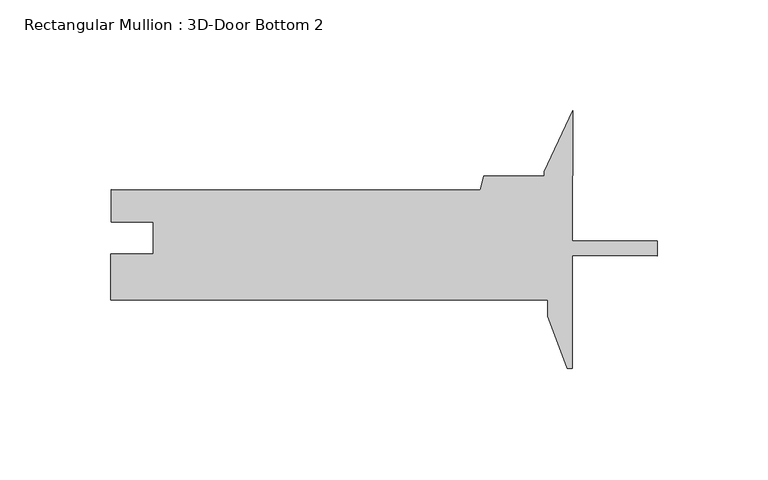
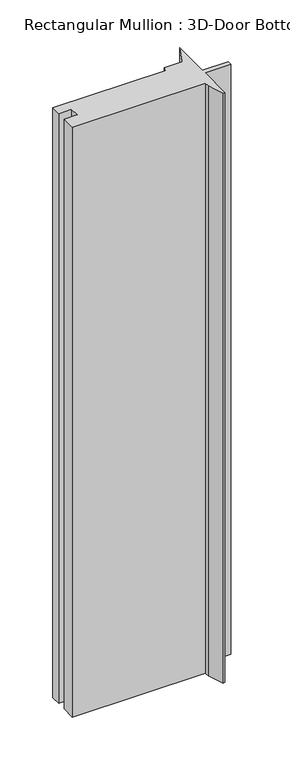
"""IFC4 building model written with IfcOpenShell, lengths in millimetres: member geometry, Rectangular Mullion : 3D-Door Bottom 2."""

from ifc_helpers import new_model, si_unit, frame, origin, place, context, project, spatial, polyline, outline, extrude, source, transform, mapped, element, save


def rectangular_mullion_3d_door_bottom_2_349176d2(model_context):
    return source(origin(), model_context, "Body", "SweptSolid", [
        extrude(outline(polyline([(-40.531847, -27.1958204), (-49.2425364, -3.7725391), (-49.2361672, 3.4823332), (-246.0873613, 3.6551545), (-246.0690345, 24.5301476), (-227.0444431, 24.5134454), (-227.0318741, 38.8301387), (-246.0564668, 38.846841), (-246.0436558, 53.4391354), (-79.7207086, 53.2931156), (-78.013657, 59.6416194), (-50.7743849, 59.6177052), (-50.7725452, 61.7132044), (-38.0485354, 89.0558903), (-38.0999853, 30.4521293), (0.0, 30.4186802), (-0.0059093, 23.6876828), (-38.107121, 23.7211329), (-38.1518244, -27.1979099), (-40.531847, -27.1958204)])), frame((0.0, 0.0, -923.0558883), z_axis=(0.0, 0.0, 1.0), x_axis=(1.0, 0.0, 0.0)), (0.0, 0.0, 1.0), 923.0558883),
    ])


if __name__ == "__main__":
    model = new_model("IFC4")
    model_context = context("Model", 3, world=origin())
    ifc_project = project(units=[si_unit("LENGTHUNIT", "METRE", prefix="MILLI")], contexts=[model_context])
    site = spatial("IfcSite", under=ifc_project)
    building = spatial("IfcBuilding", under=site)
    placement = place(None, origin())
    rectangular_mullion_3d_door_bottom_2_shape = rectangular_mullion_3d_door_bottom_2_349176d2(model_context)
    element("IfcMember", 1, ObjectType="Rectangular Mullion : 3D-Door Bottom 2", at=placement, inside=building, context=model_context, shape_type="MappedRepresentation", body=[
        mapped(rectangular_mullion_3d_door_bottom_2_shape, transform((0.0, 0.0, 0.0), x_axis=(1.0, 0.0, 0.0), y_axis=(0.0, 1.0, 0.0), z_axis=(0.0, 0.0, 1.0))),
    ])
    save(model, "model.ifc")
